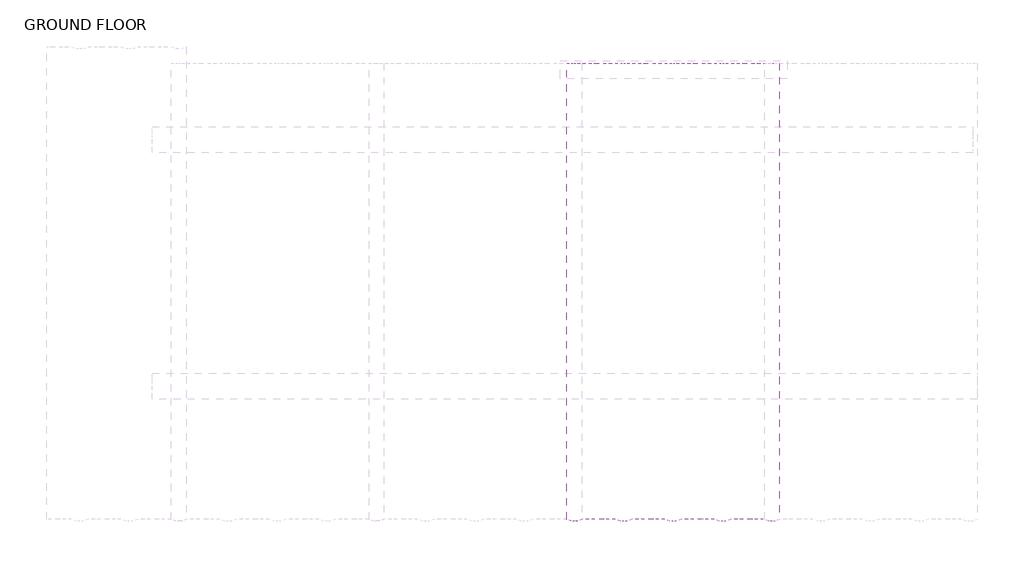
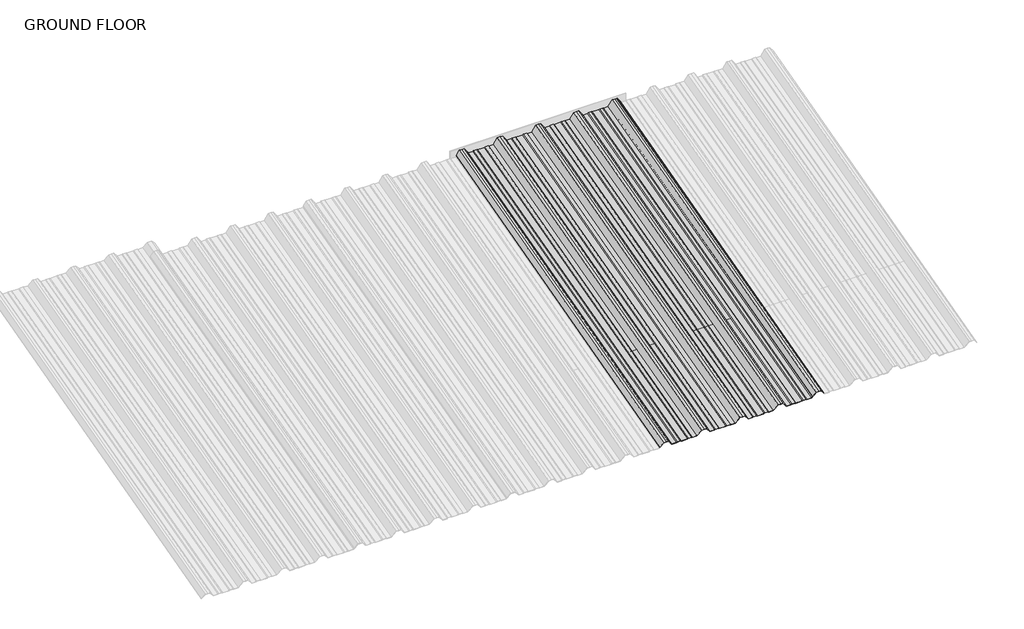
# One storey, part 3 of 4: 1 beam.
"""IFC4 building model written with IfcOpenShell, lengths in millimetres."""

from ifc_helpers import new_model, si_unit, frame, origin, place, context, project, spatial, circle_curve, ellipse_curve, element, save
from ifc_brep_helpers import plane_surface, cylinder_surface, advanced_brep

model = new_model("IFC4")

# Units and contexts
model_context = context("Model", 3, world=origin())
ifc_project = project(units=[si_unit("LENGTHUNIT", "METRE", prefix="MILLI")], contexts=[model_context])

# Site, building, storey
site = spatial("IfcSite", under=ifc_project)
building = spatial("IfcBuilding", under=site)
storey = spatial("IfcBuildingStorey", under=building, Name="GROUND FLOOR", Elevation=0.0)

# Beam
placement = place(None, origin())
element("IfcBeam", 1, ObjectType="MC760", at=placement, inside=storey, context=model_context, shape_type="AdvancedBrep", body=[
    advanced_brep(
    [(-7730.5603599, -11885.7460159, 1303.0596538), (-7707.8627157, -11885.7460159, 1303.0596538), (-7687.2882903, -11892.9929492, 1330.1055769), (-7675.3628017, -11892.9929492, 1330.1055769), (-7663.437313, -11892.9929492, 1330.1055769), (-7647.8857038, -11887.5152033, 1309.662351), (-7647.0354637, -11887.6769023, 1310.2658201), (-7662.8628017, -11893.2517682, 1331.0715028), (-7675.3628017, -11893.2517682, 1331.0715028), (-7687.8628017, -11893.2517682, 1331.0715028), (-7708.4372271, -11886.0048349, 1304.0255796), (-7730.2698454, -11886.0048349, 1304.0255796), (-7733.4848895, -11886.5328844, 1305.9962869), (-7750.4248588, -11886.5328844, 1305.9962869), (-7754.8051765, -11886.0048349, 1304.0255796), (-7785.9204268, -11886.0048349, 1304.0255796), (-7790.3007445, -11886.5328844, 1305.9962869), (-7807.2407138, -11886.5328844, 1305.9962869), (-7810.4557579, -11886.0048349, 1304.0255796), (-7832.2883762, -11886.0048349, 1304.0255796), (-7852.8628017, -11893.2517682, 1331.0715028), (-7865.3628017, -11893.2517682, 1331.0715028), (-7877.8628017, -11893.2517682, 1331.0715028), (-7898.4372271, -11886.0048349, 1304.0255796), (-7920.2698454, -11886.0048349, 1304.0255796), (-7923.4848895, -11886.5328844, 1305.9962869), (-7940.4248588, -11886.5328844, 1305.9962869), (-7944.8051765, -11886.0048349, 1304.0255796), (-7975.9204268, -11886.0048349, 1304.0255796), (-7980.3007445, -11886.5328844, 1305.9962869), (-7997.2407138, -11886.5328844, 1305.9962869), (-8000.4557579, -11886.0048349, 1304.0255796), (-8022.2883762, -11886.0048349, 1304.0255796), (-8042.8628017, -11893.2517682, 1331.0715028), (-8055.3628017, -11893.2517682, 1331.0715028), (-8067.8628017, -11893.2517682, 1331.0715028), (-8088.4372271, -11886.0048349, 1304.0255796), (-8110.2698454, -11886.0048349, 1304.0255796), (-8113.4848895, -11886.5328844, 1305.9962869), (-8130.4248588, -11886.5328844, 1305.9962869), (-8134.8051765, -11886.0048349, 1304.0255796), (-8165.9204268, -11886.0048349, 1304.0255796), (-8170.3007445, -11886.5328844, 1305.9962869), (-8187.2407138, -11886.5328844, 1305.9962869), (-8190.4557579, -11886.0048349, 1304.0255796), (-8212.2883762, -11886.0048349, 1304.0255796), (-8232.8628017, -11893.2517682, 1331.0715028), (-8245.3628017, -11893.2517682, 1331.0715028), (-8257.8628017, -11893.2517682, 1331.0715028), (-8278.4372271, -11886.0048349, 1304.0255796), (-8300.2698454, -11886.0048349, 1304.0255796), (-8303.4848895, -11886.5328844, 1305.9962869), (-8320.4248588, -11886.5328844, 1305.9962869), (-8324.8051765, -11886.0048349, 1304.0255796), (-8355.9204268, -11886.0048349, 1304.0255796), (-8360.3007445, -11886.5328844, 1305.9962869), (-8377.2407138, -11886.5328844, 1305.9962869), (-8380.4557579, -11886.0048349, 1304.0255796), (-8402.2883762, -11886.0048349, 1304.0255796), (-8422.8628017, -11893.2517682, 1331.0715028), (-8435.3628017, -11893.2517682, 1331.0715028), (-8447.8628017, -11893.2517682, 1331.0715028), (-8463.6901396, -11887.6769023, 1310.2658201), (-8462.8398995, -11887.5152033, 1309.662351), (-8447.2882903, -11892.9929492, 1330.1055769), (-8435.3628017, -11892.9929492, 1330.1055769), (-8423.437313, -11892.9929492, 1330.1055769), (-8402.8628876, -11885.7460159, 1303.0596538), (-8380.1652434, -11885.7460159, 1303.0596538), (-8376.9501993, -11886.2740653, 1305.0303611), (-8360.522208, -11886.2740653, 1305.0303611), (-8356.1418903, -11885.7460159, 1303.0596538), (-8324.583713, -11885.7460159, 1303.0596538), (-8320.2033953, -11886.2740653, 1305.0303611), (-8303.775404, -11886.2740653, 1305.0303611), (-8300.5603599, -11885.7460159, 1303.0596538), (-8277.8627157, -11885.7460159, 1303.0596538), (-8257.2882903, -11892.9929492, 1330.1055769), (-8245.3628017, -11892.9929492, 1330.1055769), (-8233.437313, -11892.9929492, 1330.1055769), (-8212.8628876, -11885.7460159, 1303.0596538), (-8190.1652434, -11885.7460159, 1303.0596538), (-8186.9501993, -11886.2740653, 1305.0303611), (-8170.522208, -11886.2740653, 1305.0303611), (-8166.1418903, -11885.7460159, 1303.0596538), (-8134.583713, -11885.7460159, 1303.0596538), (-8130.2033953, -11886.2740653, 1305.0303611), (-8113.775404, -11886.2740653, 1305.0303611), (-8110.5603599, -11885.7460159, 1303.0596538), (-8087.8627157, -11885.7460159, 1303.0596538), (-8067.2882903, -11892.9929492, 1330.1055769), (-8055.3628017, -11892.9929492, 1330.1055769), (-8043.437313, -11892.9929492, 1330.1055769), (-8022.8628876, -11885.7460159, 1303.0596538), (-8000.1652434, -11885.7460159, 1303.0596538), (-7996.9501993, -11886.2740653, 1305.0303611), (-7980.522208, -11886.2740653, 1305.0303611), (-7976.1418903, -11885.7460159, 1303.0596538), (-7944.583713, -11885.7460159, 1303.0596538), (-7940.2033953, -11886.2740653, 1305.0303611), (-7923.775404, -11886.2740653, 1305.0303611), (-7920.5603599, -11885.7460159, 1303.0596538), (-7897.8627157, -11885.7460159, 1303.0596538), (-7877.2882903, -11892.9929492, 1330.1055769), (-7865.3628017, -11892.9929492, 1330.1055769), (-7853.437313, -11892.9929492, 1330.1055769), (-7832.8628876, -11885.7460159, 1303.0596538), (-7810.1652434, -11885.7460159, 1303.0596538), (-7806.9501993, -11886.2740653, 1305.0303611), (-7790.522208, -11886.2740653, 1305.0303611), (-7786.1418903, -11885.7460159, 1303.0596538), (-7754.583713, -11885.7460159, 1303.0596538), (-7750.2033953, -11886.2740653, 1305.0303611), (-7733.775404, -11886.2740653, 1305.0303611), (-7865.3628017, -10133.2979315, 1801.6144358), (-7853.437313, -10133.2979315, 1801.6144358), (-7877.2882903, -10133.2979315, 1801.6144358), (-7897.8627157, -10133.2979315, 1772.6267028), (-7920.5603599, -10133.2979315, 1772.6267028), (-7923.775404, -10133.2979315, 1774.7389005), (-7940.2033953, -10133.2979315, 1774.7389005), (-7944.583713, -10133.2979315, 1772.6267028), (-7976.1418903, -10133.2979315, 1772.6267028), (-7980.522208, -10133.2979315, 1774.7389005), (-7996.9501993, -10133.2979315, 1774.7389005), (-8000.1652434, -10133.2979315, 1772.6267028), (-8022.8628876, -10133.2979315, 1772.6267028), (-8043.437313, -10133.2979315, 1801.6144358), (-8055.3628017, -10133.2979315, 1801.6144358), (-8067.2882903, -10133.2979315, 1801.6144358), (-8087.8627157, -10133.2979315, 1772.6267028), (-8110.5603599, -10133.2979315, 1772.6267028), (-8113.775404, -10133.2979315, 1774.7389005), (-8130.2033953, -10133.2979315, 1774.7389005), (-8134.583713, -10133.2979315, 1772.6267028), (-8166.1418903, -10133.2979315, 1772.6267028), (-8170.522208, -10133.2979315, 1774.7389005), (-8186.9501993, -10133.2979315, 1774.7389005), (-8190.1652434, -10133.2979315, 1772.6267028), (-8212.8628876, -10133.2979315, 1772.6267028), (-8233.437313, -10133.2979315, 1801.6144358), (-8245.3628017, -10133.2979315, 1801.6144358), (-8257.2882903, -10133.2979315, 1801.6144358), (-8277.8627157, -10133.2979315, 1772.6267028), (-8300.5603599, -10133.2979315, 1772.6267028), (-8303.775404, -10133.2979315, 1774.7389005), (-8320.2033953, -10133.2979315, 1774.7389005), (-8324.583713, -10133.2979315, 1772.6267028), (-8356.1418903, -10133.2979315, 1772.6267028), (-8360.522208, -10133.2979315, 1774.7389005), (-8376.9501993, -10133.2979315, 1774.7389005), (-8380.1652434, -10133.2979315, 1772.6267028), (-8402.8628876, -10133.2979315, 1772.6267028), (-8423.437313, -10133.2979315, 1801.6144358), (-8435.3628017, -10133.2979315, 1801.6144358), (-8447.2882903, -10133.2979315, 1801.6144358), (-8462.8398995, -10133.2979315, 1779.7034523), (-8463.6901396, -10133.2979315, 1780.3502485), (-8447.8628017, -10133.2979315, 1802.649712), (-8435.3628017, -10133.2979315, 1802.649712), (-8422.8628017, -10133.2979315, 1802.649712), (-8402.2883762, -10133.2979315, 1773.661979), (-8380.4557579, -10133.2979315, 1773.661979), (-8377.2407138, -10133.2979315, 1775.7741767), (-8360.3007445, -10133.2979315, 1775.7741767), (-8355.9204268, -10133.2979315, 1773.661979), (-8324.8051765, -10133.2979315, 1773.661979), (-8320.4248588, -10133.2979315, 1775.7741767), (-8303.4848895, -10133.2979315, 1775.7741767), (-8300.2698454, -10133.2979315, 1773.661979), (-8278.4372271, -10133.2979315, 1773.661979), (-8257.8628017, -10133.2979315, 1802.649712), (-8245.3628017, -10133.2979315, 1802.649712), (-8232.8628017, -10133.2979315, 1802.649712), (-8212.2883762, -10133.2979315, 1773.661979), (-8190.4557579, -10133.2979315, 1773.661979), (-8187.2407138, -10133.2979315, 1775.7741767), (-8170.3007445, -10133.2979315, 1775.7741767), (-8165.9204268, -10133.2979315, 1773.661979), (-8134.8051765, -10133.2979315, 1773.661979), (-8130.4248588, -10133.2979315, 1775.7741767), (-8113.4848895, -10133.2979315, 1775.7741767), (-8110.2698454, -10133.2979315, 1773.661979), (-8088.4372271, -10133.2979315, 1773.661979), (-8067.8628017, -10133.2979315, 1802.649712), (-8055.3628017, -10133.2979315, 1802.649712), (-8042.8628017, -10133.2979315, 1802.649712), (-8022.2883762, -10133.2979315, 1773.661979), (-8000.4557579, -10133.2979315, 1773.661979), (-7997.2407138, -10133.2979315, 1775.7741767), (-7980.3007445, -10133.2979315, 1775.7741767), (-7975.9204268, -10133.2979315, 1773.661979), (-7944.8051765, -10133.2979315, 1773.661979), (-7940.4248588, -10133.2979315, 1775.7741767), (-7923.4848895, -10133.2979315, 1775.7741767), (-7920.2698454, -10133.2979315, 1773.661979), (-7898.4372271, -10133.2979315, 1773.661979), (-7877.8628017, -10133.2979315, 1802.649712), (-7865.3628017, -10133.2979315, 1802.649712), (-7852.8628017, -10133.2979315, 1802.649712), (-7832.2883762, -10133.2979315, 1773.661979), (-7810.4557579, -10133.2979315, 1773.661979), (-7807.2407138, -10133.2979315, 1775.7741767), (-7790.3007445, -10133.2979315, 1775.7741767), (-7785.9204268, -10133.2979315, 1773.661979), (-7754.8051765, -10133.2979315, 1773.661979), (-7750.4248588, -10133.2979315, 1775.7741767), (-7733.4848895, -10133.2979315, 1775.7741767), (-7730.2698454, -10133.2979315, 1773.661979), (-7708.4372271, -10133.2979315, 1773.661979), (-7687.8628017, -10133.2979315, 1802.649712), (-7675.3628017, -10133.2979315, 1802.649712), (-7662.8628017, -10133.2979315, 1802.649712), (-7647.0354637, -10133.2979315, 1780.3502485), (-7647.8857038, -10133.2979315, 1779.7034523), (-7663.437313, -10133.2979315, 1801.6144358), (-7675.3628017, -10133.2979315, 1801.6144358), (-7687.2882903, -10133.2979315, 1801.6144358), (-7707.8627157, -10133.2979315, 1772.6267028), (-7730.5603599, -10133.2979315, 1772.6267028), (-7750.2033953, -10133.2979315, 1774.7389005), (-7733.775404, -10133.2979315, 1774.7389005), (-7754.583713, -10133.2979315, 1772.6267028), (-7786.1418903, -10133.2979315, 1772.6267028), (-7790.522208, -10133.2979315, 1774.7389005), (-7806.9501993, -10133.2979315, 1774.7389005), (-7810.1652434, -10133.2979315, 1772.6267028), (-7832.8628876, -10133.2979315, 1772.6267028)],
    [
        (0, 1),
        (1, 2),
        (2, 3),
        (3, 4),
        (4, 5),
        (5, 6, circle_curve(frame((-7647.4605837, -11887.5960528, 1309.9640855), z_axis=(0.0, -0.9659258262890685, -0.2588190451025203), x_axis=(-1.0000000000000002, 0.0, 0.0)), 0.5275485)),
        (6, 7),
        (7, 8),
        (8, 9),
        (9, 10),
        (10, 11),
        (11, 12),
        (12, 13),
        (13, 14),
        (14, 15),
        (15, 16),
        (16, 17),
        (17, 18),
        (18, 19),
        (19, 20),
        (20, 21),
        (21, 22),
        (22, 23),
        (23, 24),
        (24, 25),
        (25, 26),
        (26, 27),
        (27, 28),
        (28, 29),
        (29, 30),
        (30, 31),
        (31, 32),
        (32, 33),
        (33, 34),
        (34, 35),
        (35, 36),
        (36, 37),
        (37, 38),
        (38, 39),
        (39, 40),
        (40, 41),
        (41, 42),
        (42, 43),
        (43, 44),
        (44, 45),
        (45, 46),
        (46, 47),
        (47, 48),
        (48, 49),
        (49, 50),
        (50, 51),
        (51, 52),
        (52, 53),
        (53, 54),
        (54, 55),
        (55, 56),
        (56, 57),
        (57, 58),
        (58, 59),
        (59, 60),
        (60, 61),
        (61, 62),
        (62, 63, circle_curve(frame((-8463.2650196, -11887.5960528, 1309.9640855), z_axis=(0.0, -0.9659258262890685, -0.2588190451025203), x_axis=(-1.0000000000000002, 0.0, 0.0)), 0.5275485)),
        (63, 64),
        (64, 65),
        (65, 66),
        (66, 67),
        (67, 68),
        (68, 69),
        (69, 70),
        (70, 71),
        (71, 72),
        (72, 73),
        (73, 74),
        (74, 75),
        (75, 76),
        (76, 77),
        (77, 78),
        (78, 79),
        (79, 80),
        (80, 81),
        (81, 82),
        (82, 83),
        (83, 84),
        (84, 85),
        (85, 86),
        (86, 87),
        (87, 88),
        (88, 89),
        (89, 90),
        (90, 91),
        (91, 92),
        (92, 93),
        (93, 94),
        (94, 95),
        (95, 96),
        (96, 97),
        (97, 98),
        (98, 99),
        (99, 100),
        (100, 101),
        (101, 102),
        (102, 103),
        (103, 104),
        (104, 105),
        (105, 106),
        (106, 107),
        (107, 108),
        (108, 109),
        (109, 110),
        (110, 111),
        (111, 112),
        (112, 113),
        (113, 0),
        (104, 114),
        (114, 115),
        (115, 105),
        (103, 116),
        (116, 114),
        (102, 117),
        (117, 116),
        (101, 118),
        (118, 117),
        (100, 119),
        (119, 118),
        (99, 120),
        (120, 119),
        (98, 121),
        (121, 120),
        (97, 122),
        (122, 121),
        (96, 123),
        (123, 122),
        (95, 124),
        (124, 123),
        (94, 125),
        (125, 124),
        (93, 126),
        (126, 125),
        (92, 127),
        (127, 126),
        (91, 128),
        (128, 127),
        (90, 129),
        (129, 128),
        (89, 130),
        (130, 129),
        (88, 131),
        (131, 130),
        (87, 132),
        (132, 131),
        (86, 133),
        (133, 132),
        (85, 134),
        (134, 133),
        (84, 135),
        (135, 134),
        (83, 136),
        (136, 135),
        (82, 137),
        (137, 136),
        (81, 138),
        (138, 137),
        (80, 139),
        (139, 138),
        (79, 140),
        (140, 139),
        (78, 141),
        (141, 140),
        (77, 142),
        (142, 141),
        (76, 143),
        (143, 142),
        (75, 144),
        (144, 143),
        (74, 145),
        (145, 144),
        (73, 146),
        (146, 145),
        (72, 147),
        (147, 146),
        (71, 148),
        (148, 147),
        (70, 149),
        (149, 148),
        (69, 150),
        (150, 149),
        (68, 151),
        (151, 150),
        (67, 152),
        (152, 151),
        (66, 153),
        (153, 152),
        (65, 154),
        (154, 153),
        (64, 155),
        (155, 154),
        (63, 156),
        (156, 155),
        (62, 157),
        (157, 156, ellipse_curve(frame((-8463.2650196, -10133.2979315, 1780.0268504), z_axis=(0.0, -1.0, 0.0), x_axis=(0.0, 0.0, 1.0)), 0.5461584, 0.5275485)),
        (61, 158),
        (158, 157),
        (60, 159),
        (159, 158),
        (59, 160),
        (160, 159),
        (58, 161),
        (161, 160),
        (57, 162),
        (162, 161),
        (56, 163),
        (163, 162),
        (55, 164),
        (164, 163),
        (54, 165),
        (165, 164),
        (53, 166),
        (166, 165),
        (52, 167),
        (167, 166),
        (51, 168),
        (168, 167),
        (50, 169),
        (169, 168),
        (49, 170),
        (170, 169),
        (48, 171),
        (171, 170),
        (47, 172),
        (172, 171),
        (46, 173),
        (173, 172),
        (45, 174),
        (174, 173),
        (44, 175),
        (175, 174),
        (43, 176),
        (176, 175),
        (42, 177),
        (177, 176),
        (41, 178),
        (178, 177),
        (40, 179),
        (179, 178),
        (39, 180),
        (180, 179),
        (38, 181),
        (181, 180),
        (37, 182),
        (182, 181),
        (36, 183),
        (183, 182),
        (35, 184),
        (184, 183),
        (34, 185),
        (185, 184),
        (33, 186),
        (186, 185),
        (32, 187),
        (187, 186),
        (31, 188),
        (188, 187),
        (30, 189),
        (189, 188),
        (29, 190),
        (190, 189),
        (28, 191),
        (191, 190),
        (27, 192),
        (192, 191),
        (26, 193),
        (193, 192),
        (25, 194),
        (194, 193),
        (24, 195),
        (195, 194),
        (23, 196),
        (196, 195),
        (22, 197),
        (197, 196),
        (21, 198),
        (198, 197),
        (20, 199),
        (199, 198),
        (19, 200),
        (200, 199),
        (18, 201),
        (201, 200),
        (17, 202),
        (202, 201),
        (16, 203),
        (203, 202),
        (15, 204),
        (204, 203),
        (14, 205),
        (205, 204),
        (13, 206),
        (206, 205),
        (12, 207),
        (207, 206),
        (11, 208),
        (208, 207),
        (10, 209),
        (209, 208),
        (9, 210),
        (210, 209),
        (8, 211),
        (211, 210),
        (7, 212),
        (212, 211),
        (6, 213),
        (213, 212),
        (5, 214),
        (214, 213, ellipse_curve(frame((-7647.4605837, -10133.2979315, 1780.0268504), z_axis=(0.0, -1.0, 0.0), x_axis=(0.0, 0.0, 1.0)), 0.5461584, 0.5275485)),
        (4, 215),
        (215, 214),
        (3, 216),
        (216, 215),
        (2, 217),
        (217, 216),
        (1, 218),
        (218, 217),
        (0, 219),
        (219, 218),
        (112, 220),
        (220, 221),
        (221, 113),
        (111, 222),
        (222, 220),
        (110, 223),
        (223, 222),
        (109, 224),
        (224, 223),
        (108, 225),
        (225, 224),
        (107, 226),
        (226, 225),
        (106, 227),
        (227, 226),
        (115, 227),
        (221, 219),
    ],
    [
        plane_surface(frame((-7730.5603599, -11885.7460159, 1303.0596538), z_axis=(0.0, -0.9659258262890683, -0.25881904510252024), x_axis=(0.8443401358092261, 0.13867719951837273, -0.5175503544539402))),
        plane_surface(frame((-7853.437313, -10077.0523957, 1816.6853817), z_axis=(0.0, 0.2588190451025203, -0.9659258262890685), x_axis=(0.0, -0.9659258262890685, -0.2588190451025203))),
        plane_surface(frame((-7865.3628017, -10077.0523957, 1816.6853817), z_axis=(0.0, 0.2588190451025203, -0.9659258262890685), x_axis=(0.0, -0.9659258262890685, -0.2588190451025203))),
        plane_surface(frame((-7877.2882903, -10077.0523957, 1816.6853817), z_axis=(0.8058406576098438, 0.1532551544527162, -0.5719560229393592), x_axis=(0.0, -0.9659258262890685, -0.2588190451025203))),
        plane_surface(frame((-7897.8627157, -10069.8054625, 1789.6394586), z_axis=(0.0, 0.2588190451025203, -0.9659258262890685), x_axis=(0.0, -0.9659258262890685, -0.2588190451025203))),
        plane_surface(frame((-7920.5603599, -10069.8054625, 1789.6394586), z_axis=(-0.5358075541289514, 0.21853130769187845, -0.8155699433505558), x_axis=(0.0, -0.9659258262890685, -0.2588190451025203))),
        plane_surface(frame((-7923.775404, -10070.3335119, 1791.6101659), z_axis=(0.0, 0.2588190451025203, -0.9659258262890685), x_axis=(0.0, -0.9659258262890685, -0.2588190451025203))),
        plane_surface(frame((-7940.2033953, -10070.3335119, 1791.6101659), z_axis=(0.4222188604224433, 0.2346178917516151, -0.8756058923817274), x_axis=(0.0, -0.9659258262890685, -0.2588190451025203))),
        plane_surface(frame((-7944.583713, -10069.8054625, 1789.6394586), z_axis=(0.0, 0.2588190451025203, -0.9659258262890685), x_axis=(0.0, -0.9659258262890685, -0.2588190451025203))),
        plane_surface(frame((-7976.1418903, -10069.8054625, 1789.6394586), z_axis=(-0.4222188604224486, 0.23461789175161593, -0.8756058923817245), x_axis=(0.0, -0.9659258262890685, -0.2588190451025203))),
        plane_surface(frame((-7980.522208, -10070.3335119, 1791.6101659), z_axis=(0.0, 0.2588190451025203, -0.9659258262890685), x_axis=(0.0, -0.9659258262890685, -0.2588190451025203))),
        plane_surface(frame((-7996.9501993, -10070.3335119, 1791.6101659), z_axis=(0.5358075541289593, 0.21853130769187526, -0.8155699433505512), x_axis=(0.0, -0.9659258262890685, -0.2588190451025203))),
        plane_surface(frame((-8000.1652434, -10069.8054625, 1789.6394586), z_axis=(0.0, 0.2588190451025203, -0.9659258262890685), x_axis=(0.0, -0.9659258262890685, -0.2588190451025203))),
        plane_surface(frame((-8022.8628876, -10069.8054625, 1789.6394586), z_axis=(-0.8058406576098385, 0.1532551544527208, -0.5719560229393654), x_axis=(0.0, -0.9659258262890685, -0.2588190451025203))),
        plane_surface(frame((-8043.437313, -10077.0523957, 1816.6853817), z_axis=(0.0, 0.2588190451025203, -0.9659258262890685), x_axis=(0.0, -0.9659258262890685, -0.2588190451025203))),
        plane_surface(frame((-8055.3628017, -10077.0523957, 1816.6853817), z_axis=(0.0, 0.2588190451025203, -0.9659258262890685), x_axis=(0.0, -0.9659258262890685, -0.2588190451025203))),
        plane_surface(frame((-8067.2882903, -10077.0523957, 1816.6853817), z_axis=(0.8058406576098438, 0.1532551544527162, -0.5719560229393592), x_axis=(0.0, -0.9659258262890685, -0.2588190451025203))),
        plane_surface(frame((-8087.8627157, -10069.8054625, 1789.6394586), z_axis=(0.0, 0.2588190451025203, -0.9659258262890685), x_axis=(0.0, -0.9659258262890685, -0.2588190451025203))),
        plane_surface(frame((-8110.5603599, -10069.8054625, 1789.6394586), z_axis=(-0.5358075541289593, 0.21853130769187715, -0.8155699433505508), x_axis=(0.0, -0.9659258262890685, -0.2588190451025203))),
        plane_surface(frame((-8113.775404, -10070.3335119, 1791.6101659), z_axis=(0.0, 0.2588190451025203, -0.9659258262890685), x_axis=(0.0, -0.9659258262890685, -0.2588190451025203))),
        plane_surface(frame((-8130.2033953, -10070.3335119, 1791.6101659), z_axis=(0.42221886042244855, 0.2346178917516145, -0.8756058923817249), x_axis=(0.0, -0.9659258262890685, -0.2588190451025203))),
        plane_surface(frame((-8134.583713, -10069.8054625, 1789.6394586), z_axis=(0.0, 0.2588190451025203, -0.9659258262890685), x_axis=(0.0, -0.9659258262890685, -0.2588190451025203))),
        plane_surface(frame((-8166.1418903, -10069.8054625, 1789.6394586), z_axis=(-0.4222188604224486, 0.23461789175161593, -0.8756058923817245), x_axis=(0.0, -0.9659258262890685, -0.2588190451025203))),
        plane_surface(frame((-8170.522208, -10070.3335119, 1791.6101659), z_axis=(0.0, 0.2588190451025203, -0.9659258262890685), x_axis=(0.0, -0.9659258262890685, -0.2588190451025203))),
        plane_surface(frame((-8186.9501993, -10070.3335119, 1791.6101659), z_axis=(0.5358075541289593, 0.21853130769187526, -0.8155699433505512), x_axis=(0.0, -0.9659258262890685, -0.2588190451025203))),
        plane_surface(frame((-8190.1652434, -10069.8054625, 1789.6394586), z_axis=(0.0, 0.2588190451025203, -0.9659258262890685), x_axis=(0.0, -0.9659258262890685, -0.2588190451025203))),
        plane_surface(frame((-8212.8628876, -10069.8054625, 1789.6394586), z_axis=(-0.8058406576098389, 0.1532551544527207, -0.571956022939365), x_axis=(0.0, -0.9659258262890685, -0.2588190451025203))),
        plane_surface(frame((-8233.437313, -10077.0523957, 1816.6853817), z_axis=(0.0, 0.2588190451025203, -0.9659258262890685), x_axis=(0.0, -0.9659258262890685, -0.2588190451025203))),
        plane_surface(frame((-8245.3628017, -10077.0523957, 1816.6853817), z_axis=(0.0, 0.2588190451025203, -0.9659258262890685), x_axis=(0.0, -0.9659258262890685, -0.2588190451025203))),
        plane_surface(frame((-8257.2882903, -10077.0523957, 1816.6853817), z_axis=(0.8058406576098441, 0.15325515445271606, -0.5719560229393587), x_axis=(0.0, -0.9659258262890685, -0.2588190451025203))),
        plane_surface(frame((-8277.8627157, -10069.8054625, 1789.6394586), z_axis=(0.0, 0.2588190451025203, -0.9659258262890685), x_axis=(0.0, -0.9659258262890685, -0.2588190451025203))),
        plane_surface(frame((-8300.5603599, -10069.8054625, 1789.6394586), z_axis=(-0.5358075541289593, 0.21853130769187715, -0.8155699433505508), x_axis=(0.0, -0.9659258262890685, -0.2588190451025203))),
        plane_surface(frame((-8303.775404, -10070.3335119, 1791.6101659), z_axis=(0.0, 0.2588190451025203, -0.9659258262890685), x_axis=(0.0, -0.9659258262890685, -0.2588190451025203))),
        plane_surface(frame((-8320.2033953, -10070.3335119, 1791.6101659), z_axis=(0.4222188604224433, 0.2346178917516151, -0.8756058923817274), x_axis=(0.0, -0.9659258262890685, -0.2588190451025203))),
        plane_surface(frame((-8324.583713, -10069.8054625, 1789.6394586), z_axis=(0.0, 0.2588190451025203, -0.9659258262890685), x_axis=(0.0, -0.9659258262890685, -0.2588190451025203))),
        plane_surface(frame((-8356.1418903, -10069.8054625, 1789.6394586), z_axis=(-0.4222188604224433, 0.23461789175161654, -0.8756058923817269), x_axis=(0.0, -0.9659258262890685, -0.2588190451025203))),
        plane_surface(frame((-8360.522208, -10070.3335119, 1791.6101659), z_axis=(0.0, 0.2588190451025203, -0.9659258262890685), x_axis=(0.0, -0.9659258262890685, -0.2588190451025203))),
        plane_surface(frame((-8376.9501993, -10070.3335119, 1791.6101659), z_axis=(0.5358075541289593, 0.21853130769187526, -0.8155699433505512), x_axis=(0.0, -0.9659258262890685, -0.2588190451025203))),
        plane_surface(frame((-8380.1652434, -10069.8054625, 1789.6394586), z_axis=(0.0, 0.2588190451025203, -0.9659258262890685), x_axis=(0.0, -0.9659258262890685, -0.2588190451025203))),
        plane_surface(frame((-8402.8628876, -10069.8054625, 1789.6394586), z_axis=(-0.8058406576098377, 0.15325515445272117, -0.5719560229393666), x_axis=(0.0, -0.9659258262890685, -0.2588190451025203))),
        plane_surface(frame((-8423.437313, -10077.0523957, 1816.6853817), z_axis=(0.0, 0.2588190451025203, -0.9659258262890685), x_axis=(0.0, -0.9659258262890685, -0.2588190451025203))),
        plane_surface(frame((-8435.3628017, -10077.0523957, 1816.6853817), z_axis=(0.0, 0.2588190451025203, -0.9659258262890685), x_axis=(0.0, -0.9659258262890685, -0.2588190451025203))),
        plane_surface(frame((-8447.2882903, -10077.0523957, 1816.6853817), z_axis=(0.8058406576098556, 0.153255154452712, -0.5719560229393436), x_axis=(0.0, -0.9659258262890685, -0.2588190451025203))),
        cylinder_surface(frame((-8463.2650196, -11887.5960528, 1309.9640855), z_axis=(0.0, 0.9659258262890685, 0.2588190451025203), x_axis=(-1.0000000000000002, 0.0, 0.0)), 0.5275485),
        plane_surface(frame((-8463.6901396, -10071.7363489, 1796.8456249), z_axis=(-0.805840657609861, -0.15325515445271015, 0.5719560229393367), x_axis=(0.0, -0.9659258262890685, -0.2588190451025203))),
        plane_surface(frame((-8447.8628017, -10077.3112148, 1817.6513076), z_axis=(0.0, -0.2588190451025203, 0.9659258262890685), x_axis=(0.0, -0.9659258262890685, -0.2588190451025203))),
        plane_surface(frame((-8435.3628017, -10077.3112148, 1817.6513076), z_axis=(0.0, -0.2588190451025203, 0.9659258262890685), x_axis=(0.0, -0.9659258262890685, -0.2588190451025203))),
        plane_surface(frame((-8422.8628017, -10077.3112148, 1817.6513076), z_axis=(0.8058406576098351, -0.153255154452722, 0.5719560229393698), x_axis=(0.0, -0.9659258262890685, -0.2588190451025203))),
        plane_surface(frame((-8402.2883762, -10070.0642815, 1790.6053844), z_axis=(0.0, -0.2588190451025203, 0.9659258262890685), x_axis=(0.0, -0.9659258262890685, -0.2588190451025203))),
        plane_surface(frame((-8380.4557579, -10070.0642815, 1790.6053844), z_axis=(-0.5358075541289593, -0.21853130769187526, 0.8155699433505512), x_axis=(0.0, -0.9659258262890685, -0.2588190451025203))),
        plane_surface(frame((-8377.2407138, -10070.5923309, 1792.5760917), z_axis=(0.0, -0.2588190451025203, 0.9659258262890685), x_axis=(0.0, -0.9659258262890685, -0.2588190451025203))),
        plane_surface(frame((-8360.3007445, -10070.5923309, 1792.5760917), z_axis=(0.4222188604224491, -0.2346178917516159, 0.8756058923817244), x_axis=(0.0, -0.9659258262890685, -0.2588190451025203))),
        plane_surface(frame((-8355.9204268, -10070.0642815, 1790.6053844), z_axis=(0.0, -0.2588190451025203, 0.9659258262890685), x_axis=(0.0, -0.9659258262890685, -0.2588190451025203))),
        plane_surface(frame((-8324.8051765, -10070.0642815, 1790.6053844), z_axis=(-0.42221886042244905, -0.23461789175161446, 0.8756058923817248), x_axis=(0.0, -0.9659258262890685, -0.2588190451025203))),
        plane_surface(frame((-8320.4248588, -10070.5923309, 1792.5760917), z_axis=(0.0, -0.2588190451025203, 0.9659258262890685), x_axis=(0.0, -0.9659258262890685, -0.2588190451025203))),
        plane_surface(frame((-8303.4848895, -10070.5923309, 1792.5760917), z_axis=(0.5358075541289593, -0.21853130769187715, 0.8155699433505508), x_axis=(0.0, -0.9659258262890685, -0.2588190451025203))),
        plane_surface(frame((-8300.2698454, -10070.0642815, 1790.6053844), z_axis=(0.0, -0.2588190451025203, 0.9659258262890685), x_axis=(0.0, -0.9659258262890685, -0.2588190451025203))),
        plane_surface(frame((-8278.4372271, -10070.0642815, 1790.6053844), z_axis=(-0.8058406576098449, -0.15325515445271576, 0.5719560229393575), x_axis=(0.0, -0.9659258262890685, -0.2588190451025203))),
        plane_surface(frame((-8257.8628017, -10077.3112148, 1817.6513076), z_axis=(0.0, -0.2588190451025203, 0.9659258262890685), x_axis=(0.0, -0.9659258262890685, -0.2588190451025203))),
        plane_surface(frame((-8245.3628017, -10077.3112148, 1817.6513076), z_axis=(0.0, -0.2588190451025203, 0.9659258262890685), x_axis=(0.0, -0.9659258262890685, -0.2588190451025203))),
        plane_surface(frame((-8232.8628017, -10077.3112148, 1817.6513076), z_axis=(0.805840657609839, -0.15325515445272073, 0.5719560229393651), x_axis=(0.0, -0.9659258262890685, -0.2588190451025203))),
        plane_surface(frame((-8212.2883762, -10070.0642815, 1790.6053844), z_axis=(0.0, -0.2588190451025203, 0.9659258262890685), x_axis=(0.0, -0.9659258262890685, -0.2588190451025203))),
        plane_surface(frame((-8190.4557579, -10070.0642815, 1790.6053844), z_axis=(-0.5358075541289593, -0.21853130769187526, 0.8155699433505512), x_axis=(0.0, -0.9659258262890685, -0.2588190451025203))),
        plane_surface(frame((-8187.2407138, -10070.5923309, 1792.5760917), z_axis=(0.0, -0.2588190451025203, 0.9659258262890685), x_axis=(0.0, -0.9659258262890685, -0.2588190451025203))),
        plane_surface(frame((-8170.3007445, -10070.5923309, 1792.5760917), z_axis=(0.4222188604224433, -0.23461789175161654, 0.8756058923817269), x_axis=(0.0, -0.9659258262890685, -0.2588190451025203))),
        plane_surface(frame((-8165.9204268, -10070.0642815, 1790.6053844), z_axis=(0.0, -0.2588190451025203, 0.9659258262890685), x_axis=(0.0, -0.9659258262890685, -0.2588190451025203))),
        plane_surface(frame((-8134.8051765, -10070.0642815, 1790.6053844), z_axis=(-0.42221886042244855, -0.2346178917516145, 0.8756058923817249), x_axis=(0.0, -0.9659258262890685, -0.2588190451025203))),
        plane_surface(frame((-8130.4248588, -10070.5923309, 1792.5760917), z_axis=(0.0, -0.2588190451025203, 0.9659258262890685), x_axis=(0.0, -0.9659258262890685, -0.2588190451025203))),
        plane_surface(frame((-8113.4848895, -10070.5923309, 1792.5760917), z_axis=(0.5358075541289593, -0.21853130769187715, 0.8155699433505508), x_axis=(0.0, -0.9659258262890685, -0.2588190451025203))),
        plane_surface(frame((-8110.2698454, -10070.0642815, 1790.6053844), z_axis=(0.0, -0.2588190451025203, 0.9659258262890685), x_axis=(0.0, -0.9659258262890685, -0.2588190451025203))),
        plane_surface(frame((-8088.4372271, -10070.0642815, 1790.6053844), z_axis=(-0.8058406576098386, -0.15325515445271803, 0.5719560229393661), x_axis=(0.0, -0.9659258262890685, -0.2588190451025203))),
        plane_surface(frame((-8067.8628017, -10077.3112148, 1817.6513076), z_axis=(0.0, -0.2588190451025203, 0.9659258262890685), x_axis=(0.0, -0.9659258262890685, -0.2588190451025203))),
        plane_surface(frame((-8055.3628017, -10077.3112148, 1817.6513076), z_axis=(0.0, -0.2588190451025203, 0.9659258262890685), x_axis=(0.0, -0.9659258262890685, -0.2588190451025203))),
        plane_surface(frame((-8042.8628017, -10077.3112148, 1817.6513076), z_axis=(0.8058406576098326, -0.153255154452723, 0.5719560229393735), x_axis=(0.0, -0.9659258262890685, -0.2588190451025203))),
        plane_surface(frame((-8022.2883762, -10070.0642815, 1790.6053844), z_axis=(0.0, -0.2588190451025203, 0.9659258262890685), x_axis=(0.0, -0.9659258262890685, -0.2588190451025203))),
        plane_surface(frame((-8000.4557579, -10070.0642815, 1790.6053844), z_axis=(-0.5358075541289593, -0.21853130769187526, 0.8155699433505512), x_axis=(0.0, -0.9659258262890685, -0.2588190451025203))),
        plane_surface(frame((-7997.2407138, -10070.5923309, 1792.5760917), z_axis=(0.0, -0.2588190451025203, 0.9659258262890685), x_axis=(0.0, -0.9659258262890685, -0.2588190451025203))),
        plane_surface(frame((-7980.3007445, -10070.5923309, 1792.5760917), z_axis=(0.4222188604224433, -0.23461789175161654, 0.8756058923817269), x_axis=(0.0, -0.9659258262890685, -0.2588190451025203))),
        plane_surface(frame((-7975.9204268, -10070.0642815, 1790.6053844), z_axis=(0.0, -0.2588190451025203, 0.9659258262890685), x_axis=(0.0, -0.9659258262890685, -0.2588190451025203))),
        plane_surface(frame((-7944.8051765, -10070.0642815, 1790.6053844), z_axis=(-0.42221886042244855, -0.2346178917516145, 0.8756058923817249), x_axis=(0.0, -0.9659258262890685, -0.2588190451025203))),
        plane_surface(frame((-7940.4248588, -10070.5923309, 1792.5760917), z_axis=(0.0, -0.2588190451025203, 0.9659258262890685), x_axis=(0.0, -0.9659258262890685, -0.2588190451025203))),
        plane_surface(frame((-7923.4848895, -10070.5923309, 1792.5760917), z_axis=(0.5358075541289514, -0.21853130769187845, 0.8155699433505558), x_axis=(0.0, -0.9659258262890685, -0.2588190451025203))),
        plane_surface(frame((-7920.2698454, -10070.0642815, 1790.6053844), z_axis=(0.0, -0.2588190451025203, 0.9659258262890685), x_axis=(0.0, -0.9659258262890685, -0.2588190451025203))),
        plane_surface(frame((-7898.4372271, -10070.0642815, 1790.6053844), z_axis=(-0.8058406576098447, -0.15325515445271584, 0.5719560229393579), x_axis=(0.0, -0.9659258262890685, -0.2588190451025203))),
        plane_surface(frame((-7877.8628017, -10077.3112148, 1817.6513076), z_axis=(0.0, -0.2588190451025203, 0.9659258262890685), x_axis=(0.0, -0.9659258262890685, -0.2588190451025203))),
        plane_surface(frame((-7865.3628017, -10077.3112148, 1817.6513076), z_axis=(0.0, -0.2588190451025203, 0.9659258262890685), x_axis=(0.0, -0.9659258262890685, -0.2588190451025203))),
        plane_surface(frame((-7852.8628017, -10077.3112148, 1817.6513076), z_axis=(0.8058406576098395, -0.15325515445272048, 0.5719560229393641), x_axis=(0.0, -0.9659258262890685, -0.2588190451025203))),
        plane_surface(frame((-7832.2883762, -10070.0642815, 1790.6053844), z_axis=(0.0, -0.2588190451025203, 0.9659258262890685), x_axis=(0.0, -0.9659258262890685, -0.2588190451025203))),
        plane_surface(frame((-7810.4557579, -10070.0642815, 1790.6053844), z_axis=(-0.5358075541289616, -0.21853130769187487, 0.8155699433505499), x_axis=(0.0, -0.9659258262890685, -0.2588190451025203))),
        plane_surface(frame((-7807.2407138, -10070.5923309, 1792.5760917), z_axis=(0.0, -0.2588190451025203, 0.9659258262890685), x_axis=(0.0, -0.9659258262890685, -0.2588190451025203))),
        plane_surface(frame((-7790.3007445, -10070.5923309, 1792.5760917), z_axis=(0.4222188604224517, -0.23461789175161554, 0.8756058923817231), x_axis=(0.0, -0.9659258262890685, -0.2588190451025203))),
        plane_surface(frame((-7785.9204268, -10070.0642815, 1790.6053844), z_axis=(0.0, -0.2588190451025203, 0.9659258262890685), x_axis=(0.0, -0.9659258262890685, -0.2588190451025203))),
        plane_surface(frame((-7754.8051765, -10070.0642815, 1790.6053844), z_axis=(-0.4222188604224543, -0.2346178917516138, 0.8756058923817224), x_axis=(0.0, -0.9659258262890685, -0.2588190451025203))),
        plane_surface(frame((-7750.4248588, -10070.5923309, 1792.5760917), z_axis=(0.0, -0.2588190451025203, 0.9659258262890685), x_axis=(0.0, -0.9659258262890685, -0.2588190451025203))),
        plane_surface(frame((-7733.4848895, -10070.5923309, 1792.5760917), z_axis=(0.5358075541289578, -0.2185313076918774, 0.8155699433505519), x_axis=(0.0, -0.9659258262890685, -0.2588190451025203))),
        plane_surface(frame((-7730.2698454, -10070.0642815, 1790.6053844), z_axis=(0.0, -0.2588190451025203, 0.9659258262890685), x_axis=(0.0, -0.9659258262890685, -0.2588190451025203))),
        plane_surface(frame((-7708.4372271, -10070.0642815, 1790.6053844), z_axis=(-0.805840657609843, -0.15325515445271645, 0.5719560229393602), x_axis=(0.0, -0.9659258262890685, -0.2588190451025203))),
        plane_surface(frame((-7687.8628017, -10077.3112148, 1817.6513076), z_axis=(0.0, -0.2588190451025203, 0.9659258262890685), x_axis=(0.0, -0.9659258262890685, -0.2588190451025203))),
        plane_surface(frame((-7675.3628017, -10077.3112148, 1817.6513076), z_axis=(0.0, -0.2588190451025203, 0.9659258262890685), x_axis=(0.0, -0.9659258262890685, -0.2588190451025203))),
        plane_surface(frame((-7662.8628017, -10077.3112148, 1817.6513076), z_axis=(0.805840657609845, -0.15325515445271856, 0.571956022939357), x_axis=(0.0, -0.9659258262890685, -0.2588190451025203))),
        cylinder_surface(frame((-7647.4605837, -11887.5960528, 1309.9640855), z_axis=(0.0, 0.9659258262890685, 0.2588190451025203), x_axis=(-1.0000000000000002, 0.0, 0.0)), 0.5275485),
        plane_surface(frame((-7647.8857038, -10071.5746498, 1796.2421557), z_axis=(-0.8058406576098631, 0.15325515445271223, -0.5719560229393333), x_axis=(0.0, -0.9659258262890685, -0.2588190451025203))),
        plane_surface(frame((-7663.437313, -10077.0523957, 1816.6853817), z_axis=(0.0, 0.2588190451025203, -0.9659258262890685), x_axis=(0.0, -0.9659258262890685, -0.2588190451025203))),
        plane_surface(frame((-7675.3628017, -10077.0523957, 1816.6853817), z_axis=(0.0, 0.2588190451025203, -0.9659258262890685), x_axis=(0.0, -0.9659258262890685, -0.2588190451025203))),
        plane_surface(frame((-7687.2882903, -10077.0523957, 1816.6853817), z_axis=(0.8058406576098412, 0.1532551544527171, -0.5719560229393625), x_axis=(0.0, -0.9659258262890685, -0.2588190451025203))),
        plane_surface(frame((-7707.8627157, -10069.8054625, 1789.6394586), z_axis=(0.0, 0.2588190451025203, -0.9659258262890685), x_axis=(0.0, -0.9659258262890685, -0.2588190451025203))),
        plane_surface(frame((-7733.775404, -10070.3335119, 1791.6101659), z_axis=(0.0, 0.2588190451025203, -0.9659258262890685), x_axis=(0.0, -0.9659258262890685, -0.2588190451025203))),
        plane_surface(frame((-7750.2033953, -10070.3335119, 1791.6101659), z_axis=(0.42221886042245127, 0.23461789175161413, -0.8756058923817237), x_axis=(0.0, -0.9659258262890685, -0.2588190451025203))),
        plane_surface(frame((-7754.583713, -10069.8054625, 1789.6394586), z_axis=(0.0, 0.2588190451025203, -0.9659258262890685), x_axis=(0.0, -0.9659258262890685, -0.2588190451025203))),
        plane_surface(frame((-7786.1418903, -10069.8054625, 1789.6394586), z_axis=(-0.4222188604224486, 0.23461789175161593, -0.8756058923817245), x_axis=(0.0, -0.9659258262890685, -0.2588190451025203))),
        plane_surface(frame((-7790.522208, -10070.3335119, 1791.6101659), z_axis=(0.0, 0.2588190451025203, -0.9659258262890685), x_axis=(0.0, -0.9659258262890685, -0.2588190451025203))),
        plane_surface(frame((-7806.9501993, -10070.3335119, 1791.6101659), z_axis=(0.5358075541289633, 0.2185313076918746, -0.8155699433505488), x_axis=(0.0, -0.9659258262890685, -0.2588190451025203))),
        plane_surface(frame((-7810.1652434, -10069.8054625, 1789.6394586), z_axis=(0.0, 0.2588190451025203, -0.9659258262890685), x_axis=(0.0, -0.9659258262890685, -0.2588190451025203))),
        plane_surface(frame((-7832.8628876, -10069.8054625, 1789.6394586), z_axis=(-0.8058406576098377, 0.15325515445272117, -0.5719560229393666), x_axis=(0.0, -0.9659258262890685, -0.2588190451025203))),
        plane_surface(frame((-7730.5603599, -10069.8054625, 1789.6394586), z_axis=(-0.5358075541289593, 0.21853130769187712, -0.8155699433505508), x_axis=(0.0, -0.9659258262890685, -0.2588190451025203))),
        plane_surface(frame((-10445.3628017, -10133.2979315, 2761.6901946), z_axis=(0.0, 1.0, 0.0), x_axis=(0.0, 0.0, -1.0))),
    ],
    [
        (0, [[1, 2, 3, 4, 5, 6, 7, 8, 9, 10, 11, 12, 13, 14, 15, 16, 17, 18, 19, 20, 21, 22, 23, 24, 25, 26, 27, 28, 29, 30, 31, 32, 33, 34, 35, 36, 37, 38, 39, 40, 41, 42, 43, 44, 45, 46, 47, 48, 49, 50, 51, 52, 53, 54, 55, 56, 57, 58, 59, 60, 61, 62, 63, 64, 65, 66, 67, 68, 69, 70, 71, 72, 73, 74, 75, 76, 77, 78, 79, 80, 81, 82, 83, 84, 85, 86, 87, 88, 89, 90, 91, 92, 93, 94, 95, 96, 97, 98, 99, 100, 101, 102, 103, 104, 105, 106, 107, 108, 109, 110, 111, 112, 113, 114]]),
        (1, [[-105, 115, 116, 117]]),
        (2, [[-104, 118, 119, -115]]),
        (3, [[-103, 120, 121, -118]]),
        (4, [[-102, 122, 123, -120]]),
        (5, [[-101, 124, 125, -122]]),
        (6, [[-100, 126, 127, -124]]),
        (7, [[-99, 128, 129, -126]]),
        (8, [[-98, 130, 131, -128]]),
        (9, [[-97, 132, 133, -130]]),
        (10, [[-96, 134, 135, -132]]),
        (11, [[-95, 136, 137, -134]]),
        (12, [[-94, 138, 139, -136]]),
        (13, [[-93, 140, 141, -138]]),
        (14, [[-92, 142, 143, -140]]),
        (15, [[-91, 144, 145, -142]]),
        (16, [[-90, 146, 147, -144]]),
        (17, [[-89, 148, 149, -146]]),
        (18, [[-88, 150, 151, -148]]),
        (19, [[-87, 152, 153, -150]]),
        (20, [[-86, 154, 155, -152]]),
        (21, [[-85, 156, 157, -154]]),
        (22, [[-84, 158, 159, -156]]),
        (23, [[-83, 160, 161, -158]]),
        (24, [[-82, 162, 163, -160]]),
        (25, [[-81, 164, 165, -162]]),
        (26, [[-80, 166, 167, -164]]),
        (27, [[-79, 168, 169, -166]]),
        (28, [[-78, 170, 171, -168]]),
        (29, [[-77, 172, 173, -170]]),
        (30, [[-76, 174, 175, -172]]),
        (31, [[-75, 176, 177, -174]]),
        (32, [[-74, 178, 179, -176]]),
        (33, [[-73, 180, 181, -178]]),
        (34, [[-72, 182, 183, -180]]),
        (35, [[-71, 184, 185, -182]]),
        (36, [[-70, 186, 187, -184]]),
        (37, [[-69, 188, 189, -186]]),
        (38, [[-68, 190, 191, -188]]),
        (39, [[-67, 192, 193, -190]]),
        (40, [[-66, 194, 195, -192]]),
        (41, [[-65, 196, 197, -194]]),
        (42, [[-64, 198, 199, -196]]),
        (43, [[-63, 200, 201, -198]]),
        (44, [[-62, 202, 203, -200]]),
        (45, [[-61, 204, 205, -202]]),
        (46, [[-60, 206, 207, -204]]),
        (47, [[-59, 208, 209, -206]]),
        (48, [[-58, 210, 211, -208]]),
        (49, [[-57, 212, 213, -210]]),
        (50, [[-56, 214, 215, -212]]),
        (51, [[-55, 216, 217, -214]]),
        (52, [[-54, 218, 219, -216]]),
        (53, [[-53, 220, 221, -218]]),
        (54, [[-52, 222, 223, -220]]),
        (55, [[-51, 224, 225, -222]]),
        (56, [[-50, 226, 227, -224]]),
        (57, [[-49, 228, 229, -226]]),
        (58, [[-48, 230, 231, -228]]),
        (59, [[-47, 232, 233, -230]]),
        (60, [[-46, 234, 235, -232]]),
        (61, [[-45, 236, 237, -234]]),
        (62, [[-44, 238, 239, -236]]),
        (63, [[-43, 240, 241, -238]]),
        (64, [[-42, 242, 243, -240]]),
        (65, [[-41, 244, 245, -242]]),
        (66, [[-40, 246, 247, -244]]),
        (67, [[-39, 248, 249, -246]]),
        (68, [[-38, 250, 251, -248]]),
        (69, [[-37, 252, 253, -250]]),
        (70, [[-36, 254, 255, -252]]),
        (71, [[-35, 256, 257, -254]]),
        (72, [[-34, 258, 259, -256]]),
        (73, [[-33, 260, 261, -258]]),
        (74, [[-32, 262, 263, -260]]),
        (75, [[-31, 264, 265, -262]]),
        (76, [[-30, 266, 267, -264]]),
        (77, [[-29, 268, 269, -266]]),
        (78, [[-28, 270, 271, -268]]),
        (79, [[-27, 272, 273, -270]]),
        (80, [[-26, 274, 275, -272]]),
        (81, [[-25, 276, 277, -274]]),
        (82, [[-24, 278, 279, -276]]),
        (83, [[-23, 280, 281, -278]]),
        (84, [[-22, 282, 283, -280]]),
        (85, [[-21, 284, 285, -282]]),
        (86, [[-20, 286, 287, -284]]),
        (87, [[-19, 288, 289, -286]]),
        (88, [[-18, 290, 291, -288]]),
        (89, [[-17, 292, 293, -290]]),
        (90, [[-16, 294, 295, -292]]),
        (91, [[-15, 296, 297, -294]]),
        (92, [[-14, 298, 299, -296]]),
        (93, [[-13, 300, 301, -298]]),
        (94, [[-12, 302, 303, -300]]),
        (95, [[-11, 304, 305, -302]]),
        (96, [[-10, 306, 307, -304]]),
        (97, [[-9, 308, 309, -306]]),
        (98, [[-8, 310, 311, -308]]),
        (99, [[-7, 312, 313, -310]]),
        (100, [[-6, 314, 315, -312]]),
        (101, [[-5, 316, 317, -314]]),
        (102, [[-4, 318, 319, -316]]),
        (103, [[-3, 320, 321, -318]]),
        (104, [[-2, 322, 323, -320]]),
        (105, [[-1, 324, 325, -322]]),
        (106, [[-113, 326, 327, 328]]),
        (107, [[-112, 329, 330, -326]]),
        (108, [[-111, 331, 332, -329]]),
        (109, [[-110, 333, 334, -331]]),
        (110, [[-109, 335, 336, -333]]),
        (111, [[-108, 337, 338, -335]]),
        (112, [[-107, 339, 340, -337]]),
        (113, [[-106, -117, 341, -339]]),
        (114, [[-114, -328, 342, -324]]),
        (115, [[-116, -119, -121, -123, -125, -127, -129, -131, -133, -135, -137, -139, -141, -143, -145, -147, -149, -151, -153, -155, -157, -159, -161, -163, -165, -167, -169, -171, -173, -175, -177, -179, -181, -183, -185, -187, -189, -191, -193, -195, -197, -199, -201, -203, -205, -207, -209, -211, -213, -215, -217, -219, -221, -223, -225, -227, -229, -231, -233, -235, -237, -239, -241, -243, -245, -247, -249, -251, -253, -255, -257, -259, -261, -263, -265, -267, -269, -271, -273, -275, -277, -279, -281, -283, -285, -287, -289, -291, -293, -295, -297, -299, -301, -303, -305, -307, -309, -311, -313, -315, -317, -319, -321, -323, -325, -342, -327, -330, -332, -334, -336, -338, -340, -341]]),
    ],
),
])

save(model, "model.ifc")
